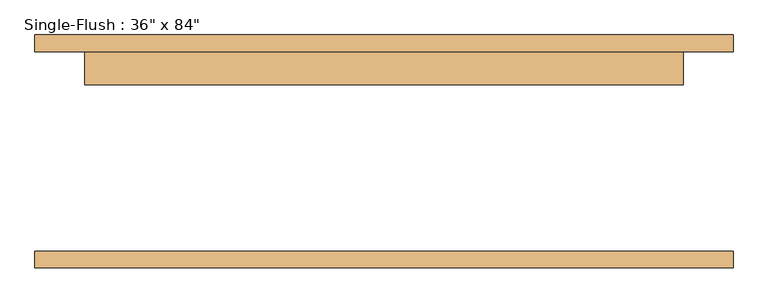
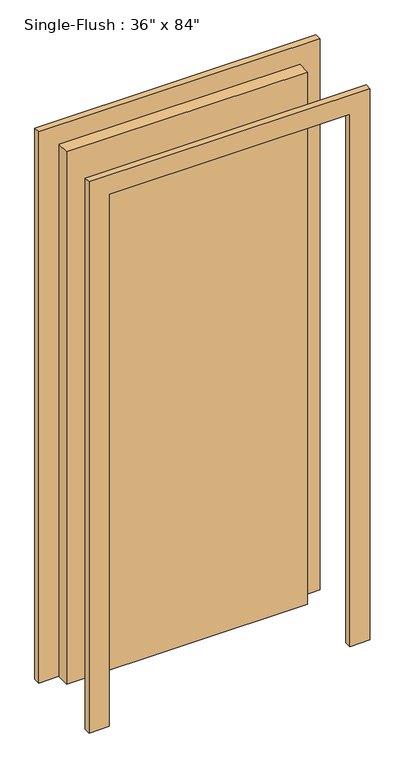
"""IFC4 building model written with IfcOpenShell, lengths in millimetres: door geometry."""

from ifc_helpers import new_model, si_unit, frame, origin, origin_with_axes, place, context, project, spatial, polyline, outline, extrude, source, transform, mapped, element, save


def door_03272193(model_context):
    return source(origin(), model_context, "Body", "SweptSolid", [
        extrude(outline(polyline([(2209.8, -533.4), (0.0, -533.4), (0.0, -457.2), (2133.6, -457.2), (2133.6, 457.2), (0.0, 457.2), (0.0, 533.4), (2209.8, 533.4), (2209.8, -533.4)])), frame((0.0, 152.4, 0.0), z_axis=(0.0, 1.0, 0.0), x_axis=(0.0, 0.0, 1.0)), (0.0, 0.0, 1.0), 25.4),
        extrude(outline(polyline([(2209.8, 533.4), (2209.8, -533.4), (0.0, -533.4), (0.0, -457.2), (2133.6, -457.2), (2133.6, 457.2), (0.0, 457.2), (0.0, 533.4), (2209.8, 533.4)])), frame((0.0, -177.8, 0.0), z_axis=(0.0, 1.0, 0.0), x_axis=(0.0, 0.0, 1.0)), (0.0, 0.0, 1.0), 25.4),
        extrude(outline(polyline([(457.2, 101.6), (-457.2, 101.6), (-457.2, 152.4), (457.2, 152.4), (457.2, 101.6)])), origin_with_axes(), (0.0, 0.0, 1.0), 2133.6),
    ])


if __name__ == "__main__":
    model = new_model("IFC4")
    model_context = context("Model", 3, world=origin())
    ifc_project = project(units=[si_unit("LENGTHUNIT", "METRE", prefix="MILLI")], contexts=[model_context])
    site = spatial("IfcSite", under=ifc_project)
    building = spatial("IfcBuilding", under=site)
    placement = place(None, origin())
    door_shape = door_03272193(model_context)
    element("IfcDoor", 1, ObjectType="Single-Flush : 36\" x 84\"", at=placement, inside=building, context=model_context, shape_type="MappedRepresentation", body=[
        mapped(door_shape, transform((0.0, 0.0, 0.0), x_axis=(1.0, 0.0, 0.0), y_axis=(0.0, 1.0, 0.0), z_axis=(0.0, 0.0, 1.0))),
    ])
    save(model, "model.ifc")
